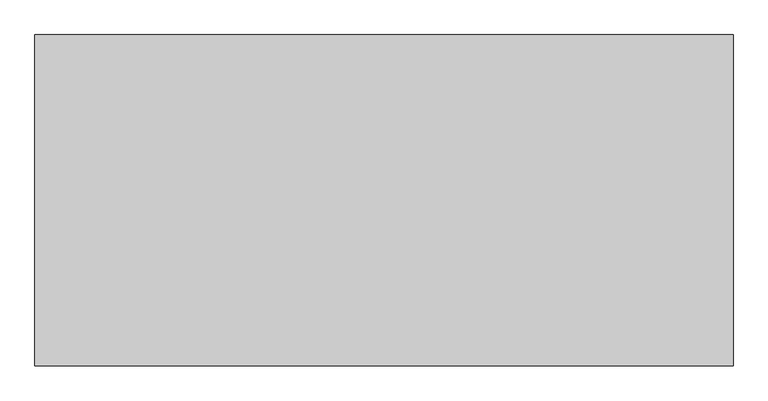
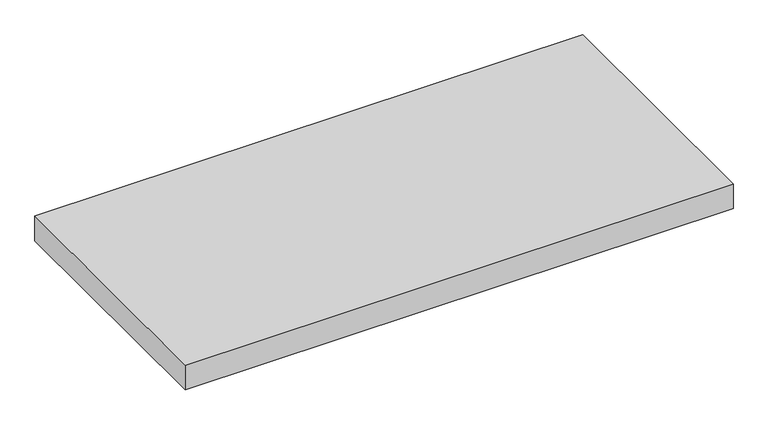
"""IFC4 building model written with IfcOpenShell, lengths in millimetres: furniture geometry."""

import ifcopenshell
import ifcopenshell.guid

model = None  # the IFC model being written
_history = None  # IfcOwnerHistory: only IFC2X3 demands one
_inside = {}  # id of a spatial element -> (the spatial element, [elements in it])
_under = {}  # id of a project, library or spatial element -> (it, [spatial elements below it])
_declared = {}  # id of a project -> (the project, [libraries it declares])
_typed = {}  # id of a type object -> (the type object, [elements of that type])
_made_of = {}  # id of a material, layer set ... -> (it, [elements and type objects made of it])


def new_model(schema):
    """Start an empty IFC model of exactly this schema.

    Asked for "IFC4X3", IfcOpenShell would pick the latest addendum, in which some entities
    have other attributes; the version numbers below select the first issue.
    IFC2X3 requires an IfcOwnerHistory on every rooted entity: one is made here for all.
    """
    global model, _history
    if schema == "IFC4X3":
        model = ifcopenshell.file(schema_version=(4, 3, 0, 0))
    else:
        model = ifcopenshell.file(schema=schema)
    _inside.clear()
    _under.clear()
    _declared.clear()
    _typed.clear()
    _made_of.clear()
    _history = None
    if model.schema == "IFC2X3":
        org = make("IfcOrganization", Name="unknown")
        user = make(
            "IfcPersonAndOrganization",
            ThePerson=make("IfcPerson", FamilyName="unknown"),
            TheOrganization=org,
        )
        app = make(
            "IfcApplication",
            ApplicationDeveloper=org,
            Version="unknown",
            ApplicationFullName="unknown",
            ApplicationIdentifier="unknown",
        )
        _history = make(
            "IfcOwnerHistory",
            OwningUser=user,
            OwningApplication=app,
            ChangeAction="ADDED",
            CreationDate=0,
        )
    return model


def make(cls, **values):
    """One entity of the class cls with the attributes given. An attribute that is None is left unset."""
    return model.create_entity(
        cls, **{name: value for name, value in values.items() if value is not None}
    )


def rooted(cls, **values):
    """An entity with a GlobalId (a new one), such as an element, a storey or a relation."""
    return make(cls, GlobalId=ifcopenshell.guid.new(), OwnerHistory=_history, **values)


def si_unit(unit_type, name, prefix=None):
    """IfcSIUnit, for example si_unit("LENGTHUNIT", "METRE", prefix="MILLI")."""
    return make("IfcSIUnit", UnitType=unit_type, Prefix=prefix, Name=name)


def assignment(units):
    """IfcUnitAssignment: the units of a project."""
    return None if units is None else make("IfcUnitAssignment", Units=units)


def point(xyz):
    """IfcCartesianPoint."""
    return None if xyz is None else make("IfcCartesianPoint", Coordinates=xyz)


def direction(xyz):
    """IfcDirection."""
    return None if xyz is None else make("IfcDirection", DirectionRatios=xyz)


def frame(location, z_axis=None, x_axis=None):
    """IfcAxis2Placement3D, a coordinate frame: its origin and axes. An axis left out is left unset."""
    return make(
        "IfcAxis2Placement3D",
        Location=point(location),
        Axis=direction(z_axis),
        RefDirection=direction(x_axis),
    )


def origin():
    """The frame at (0, 0, 0) with its axes left unset."""
    return frame((0.0, 0.0, 0.0))


def place(relative_to, where):
    """IfcLocalPlacement: puts the frame where relative to a parent placement (None: the world)."""
    return make(
        "IfcLocalPlacement", PlacementRelTo=relative_to, RelativePlacement=where
    )


def context(
    kind, dimensions, precision=None, world=None, true_north=None, identifier=None
):
    """IfcGeometricRepresentationContext, for example the 3D "Model" context."""
    return make(
        "IfcGeometricRepresentationContext",
        ContextIdentifier=identifier,
        ContextType=kind,
        CoordinateSpaceDimension=dimensions,
        Precision=precision,
        WorldCoordinateSystem=world,
        TrueNorth=true_north,
    )


def project(units=None, contexts=None):
    """IfcProject with its units and contexts."""
    return rooted(
        "IfcProject",
        Name="project",
        RepresentationContexts=contexts,
        UnitsInContext=assignment(units),
    )


def spatial(cls, under=None, at=None, **own):
    """A site, building, storey or space (cls), placed at a placement, below another one or the project."""
    s = rooted(cls, ObjectPlacement=at, **own)
    if under is not None:
        _under.setdefault(under.id(), (under, []))[1].append(s)
    return s


def polyline(points):
    """IfcPolyline through the points."""
    return make("IfcPolyline", Points=[point(p) for p in points])


def outline(outer, holes=None, kind="AREA"):
    """IfcArbitraryClosedProfileDef: a profile drawn as a closed curve; with holes, ...WithVoids."""
    if holes is None:
        return make("IfcArbitraryClosedProfileDef", ProfileType=kind, OuterCurve=outer)
    return make(
        "IfcArbitraryProfileDefWithVoids",
        ProfileType=kind,
        OuterCurve=outer,
        InnerCurves=holes,
    )


def extrude(swept, where, along, depth):
    """IfcExtrudedAreaSolid: the profile swept, set in the frame where, extruded along a direction by depth."""
    return make(
        "IfcExtrudedAreaSolid",
        SweptArea=swept,
        Position=where,
        ExtrudedDirection=direction(along),
        Depth=depth,
    )


def shape(context_of_items, identifier, shape_type, items):
    """IfcShapeRepresentation: the items that make up one representation, for example the "Body"."""
    return make(
        "IfcShapeRepresentation",
        ContextOfItems=context_of_items,
        RepresentationIdentifier=identifier,
        RepresentationType=shape_type,
        Items=items,
    )


def source(mapping_origin, context_of_items, identifier, shape_type, items):
    """IfcRepresentationMap: a shape defined once, which mapped items show again and again."""
    return make(
        "IfcRepresentationMap",
        MappingOrigin=mapping_origin,
        MappedRepresentation=shape(context_of_items, identifier, shape_type, items),
    )


def transform(
    local_origin,
    x_axis=None,
    y_axis=None,
    z_axis=None,
    scale=None,
    scale2=None,
    scale3=None,
    uniform=True,
):
    """IfcCartesianTransformationOperator3D, or its non-uniform kind. x_axis, y_axis, z_axis: its Axis1, 2, 3."""
    if uniform:
        return make(
            "IfcCartesianTransformationOperator3D",
            Axis1=direction(x_axis),
            Axis2=direction(y_axis),
            LocalOrigin=point(local_origin),
            Scale=scale,
            Axis3=direction(z_axis),
        )
    return make(
        "IfcCartesianTransformationOperator3DnonUniform",
        Axis1=direction(x_axis),
        Axis2=direction(y_axis),
        LocalOrigin=point(local_origin),
        Scale=scale,
        Axis3=direction(z_axis),
        Scale2=scale2,
        Scale3=scale3,
    )


def mapped(mapping_source, mapping_target):
    """IfcMappedItem: shows the shape of a source again, moved by a transform."""
    return make(
        "IfcMappedItem", MappingSource=mapping_source, MappingTarget=mapping_target
    )


def made_of(thing, what):
    """Note that an element or type object is made of a material, layer set ...; save() writes the relation."""
    if what is not None:
        _made_of.setdefault(what.id(), (what, []))[1].append(thing)
    return thing


def element(
    cls,
    number,
    at=None,
    inside=None,
    cuts=None,
    type_object=None,
    material=None,
    context=None,
    identifier="Body",
    shape_type=None,
    held_by="IfcProductDefinitionShape",
    body=None,
    shapes=None,
    **own,
):
    """One element of the class cls, such as IfcWall. Its Tag is "e" and its number.

    at: its placement. inside: the storey or other place that contains it. cuts: it is an
    opening in that element (IfcRelVoidsElement). A single representation is given by context,
    identifier, shape_type and body (its items); several are given by shapes. held_by: the class
    of the entity that holds the representations. save() writes the other relations.
    """
    e = rooted(cls, Tag="e%d" % number, ObjectPlacement=at, **own)
    if body is not None:
        shapes = [shape(context, identifier, shape_type, body)]
    if shapes is not None:
        e.Representation = make(held_by, Representations=shapes)
    if inside is not None:
        _inside.setdefault(inside.id(), (inside, []))[1].append(e)
    if cuts is not None:
        rooted(
            "IfcRelVoidsElement", RelatingBuildingElement=cuts, RelatedOpeningElement=e
        )
    if type_object is not None:
        _typed.setdefault(type_object.id(), (type_object, []))[1].append(e)
    return made_of(e, material)


def aggregate(whole, parts):
    """IfcRelAggregates: a whole, such as a stair, and the parts it consists of."""
    return rooted("IfcRelAggregates", RelatingObject=whole, RelatedObjects=parts)


def save(model, path):
    """Write the relations noted so far, then the file.

    IfcRelAggregates (storeys below a building ...), IfcRelContainedInSpatialStructure (elements
    in a storey), IfcRelDefinesByType, IfcRelAssociatesMaterial and IfcRelDeclares: one each for
    every whole, place, type object, material and project.
    """
    for whole, parts in _under.values():
        aggregate(whole, parts)
    for where, things in _inside.values():
        rooted(
            "IfcRelContainedInSpatialStructure",
            RelatedElements=things,
            RelatingStructure=where,
        )
    for kind, things in _typed.values():
        rooted("IfcRelDefinesByType", RelatedObjects=things, RelatingType=kind)
    for what, things in _made_of.values():
        rooted("IfcRelAssociatesMaterial", RelatedObjects=things, RelatingMaterial=what)
    for by, libraries in _declared.values():
        rooted("IfcRelDeclares", RelatingContext=by, RelatedDefinitions=libraries)
    model.write(path)


def furniture_1443d58d(model_context):
    return source(origin(), model_context, "Body", "SweptSolid", [
        extrude(outline(polyline([(1063.625, -504.825), (0.0, -504.825), (0.0, 0.0), (1063.625, 0.0), (1063.625, -504.825)])), frame((0.0, 0.0, 403.225), z_axis=(0.0, 0.0, 1.0), x_axis=(1.0, 0.0, 0.0)), (0.0, 0.0, 1.0), 50.8),
    ])


if __name__ == "__main__":
    model = new_model("IFC4")
    model_context = context("Model", 3, world=origin())
    ifc_project = project(units=[si_unit("LENGTHUNIT", "METRE", prefix="MILLI")], contexts=[model_context])
    site = spatial("IfcSite", under=ifc_project)
    building = spatial("IfcBuilding", under=site)
    placement = place(None, origin())
    furniture_shape = furniture_1443d58d(model_context)
    element("IfcFurniture", 1, at=placement, inside=building, context=model_context, shape_type="MappedRepresentation", body=[
        mapped(furniture_shape, transform((0.0, 0.0, 0.0), x_axis=(1.0, 0.0, 0.0), y_axis=(0.0, 1.0, 0.0), z_axis=(0.0, 0.0, 1.0))),
    ])
    save(model, "model.ifc")
